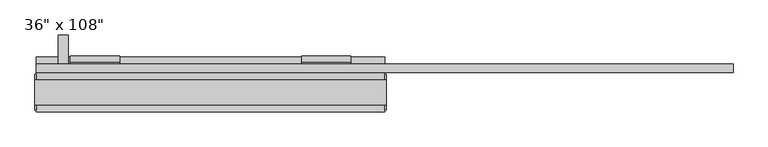
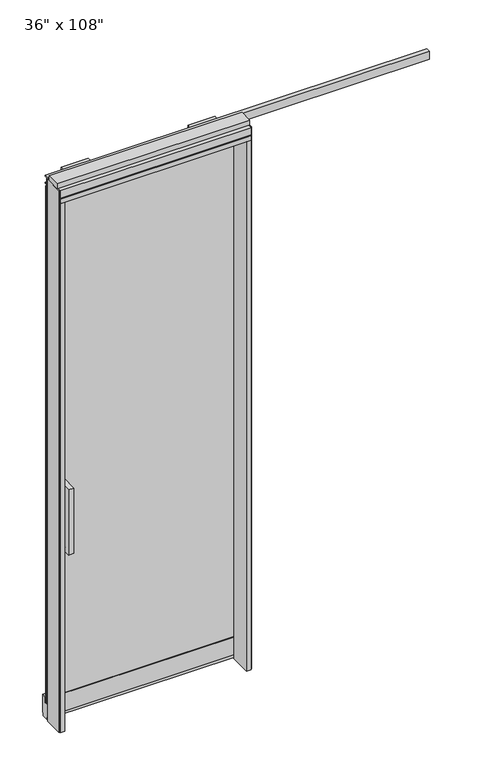
"""IFC4 building model written with IfcOpenShell, lengths in millimetres: furniture geometry."""

from ifc_helpers import new_model, si_unit, frame, origin, origin_with_axes, place, context, project, spatial, polyline, outline, extrude, source, transform, mapped, element, save


def furniture_44841711(model_context):
    return source(origin(), model_context, "Body", "SweptSolid", [
        extrude(outline(polyline([(393.2264771, 74.3677216), (393.2264771, 64.2077216), (-513.2995229, 64.2077216), (-513.2995229, 74.3677216), (393.2264771, 74.3677216)])), frame((0.0, 0.0, 77.851), z_axis=(0.0, 0.0, 1.0), x_axis=(1.0, 0.0, 0.0)), (0.0, 0.0, 1.0), 2592.959),
        extrude(outline(polyline([(64.2077216, 852.297), (-16.0562784, 852.297), (-16.0562784, 1179.703), (64.2077216, 1179.703), (64.2077216, 1154.303), (9.3437216, 1154.303), (9.3437216, 877.697), (64.2077216, 877.697), (64.2077216, 852.297)])), frame((-456.0225229, 0.0, 0.0), z_axis=(1.0, 0.0, 0.0), x_axis=(0.0, 1.0, 0.0)), (0.0, 0.0, 1.0), 25.4),
        extrude(outline(polyline([(74.3677216, 852.297), (74.3677216, 877.697), (129.2317216, 877.697), (129.2317216, 1154.303), (74.3677216, 1154.303), (74.3677216, 1179.703), (154.6317216, 1179.703), (154.6317216, 852.297), (74.3677216, 852.297)])), frame((-456.0225229, 0.0, 0.0), z_axis=(1.0, 0.0, 0.0), x_axis=(0.0, 1.0, 0.0)), (0.0, 0.0, 1.0), 25.4),
        extrude(outline(polyline([(63.9537216, 2628.9), (60.3977216, 2628.9), (60.3977216, 2676.779), (83.0037216, 2676.779), (83.0037216, 2717.8), (98.4977216, 2717.8), (98.4977216, 2628.9), (76.2727216, 2628.9), (76.2727216, 2670.81), (63.9537216, 2670.81), (63.9537216, 2628.9)])), frame((-425.0345229, 0.0, 0.0), z_axis=(1.0, 0.0, 0.0), x_axis=(0.0, 1.0, 0.0)), (0.0, 0.0, 1.0), 128.016),
        extrude(outline(polyline([(63.9537216, 2628.9), (60.3977216, 2628.9), (60.3977216, 2676.779), (83.0037216, 2676.779), (83.0037216, 2717.8), (98.4977216, 2717.8), (98.4977216, 2628.9), (76.2727216, 2628.9), (76.2727216, 2670.81), (63.9537216, 2670.81), (63.9537216, 2628.9)])), frame((176.9454771, 0.0, 0.0), z_axis=(1.0, 0.0, 0.0), x_axis=(0.0, 1.0, 0.0)), (0.0, 0.0, 1.0), 128.016),
        extrude(outline(polyline([(77.9237216, 2681.478), (56.2067216, 2681.478), (56.2067216, 2721.102), (77.9237216, 2721.102), (77.9237216, 2715.768), (65.2237216, 2715.768), (65.2237216, 2686.812), (77.9237216, 2686.812), (77.9237216, 2681.478)])), frame((-513.2995229, 0.0, 0.0), z_axis=(1.0, 0.0, 0.0), x_axis=(0.0, 1.0, 0.0)), (0.0, 0.0, 1.0), 1813.052),
        extrude(outline(polyline([(74.8757216, 77.851), (74.8757216, 105.664), (97.1007216, 105.664), (97.1007216, 16.764), (93.2907216, 16.764), (93.2907216, 0.0), (64.2077216, 0.0), (64.2077216, 16.764), (60.3977216, 16.764), (60.3977216, 105.664), (63.9537216, 105.664), (63.9537216, 77.851), (74.8757216, 77.851)])), frame((-513.2995229, 0.0, 0.0), z_axis=(1.0, 0.0, 0.0), x_axis=(0.0, 1.0, 0.0)), (0.0, 0.0, 1.0), 906.526),
        extrude(outline(polyline([(-513.2995229, 55.3177216), (393.2264771, 55.3177216), (393.2264771, -46.2822784), (-513.2995229, -46.2822784), (-513.2995229, 55.3177216)])), frame((0.0, 0.0, 2654.3), z_axis=(0.0, 0.0, 1.0), x_axis=(1.0, 0.0, 0.0)), (0.0, 0.0, 1.0), 22.225),
        extrude(outline(polyline([(397.1634771, 50.3647216), (397.1634771, -41.3292784), (393.2264771, -41.3292784), (393.2264771, 50.3647216), (397.1634771, 50.3647216)])), origin_with_axes(), (0.0, 0.0, 1.0), 2717.8),
        extrude(outline(polyline([(-517.2365229, 50.3647216), (-513.2995229, 50.3647216), (-513.2995229, -41.3292784), (-517.2365229, -41.3292784), (-517.2365229, 50.3647216)])), origin_with_axes(), (0.0, 0.0, 1.0), 2717.8),
        extrude(outline(polyline([(371.0014771, 55.3177216), (393.2264771, 55.3177216), (393.2264771, -46.2822784), (371.0014771, -46.2822784), (371.0014771, 55.3177216)])), origin_with_axes(), (0.0, 0.0, 1.0), 2654.3),
        extrude(outline(polyline([(-491.0745229, 55.3177216), (-491.0745229, -46.2822784), (-513.2995229, -46.2822784), (-513.2995229, 55.3177216), (-491.0745229, 55.3177216)])), origin_with_axes(), (0.0, 0.0, 1.0), 2654.3),
        extrude(outline(polyline([(55.3177216, 2681.478), (50.3647216, 2681.478), (50.3647216, 2676.525), (-41.3292784, 2676.525), (-41.3292784, 2681.478), (-46.2822784, 2681.478), (-46.2822784, 2717.8), (55.3177216, 2717.8), (55.3177216, 2681.478)])), frame((-513.2995229, 0.0, 0.0), z_axis=(1.0, 0.0, 0.0), x_axis=(0.0, 1.0, 0.0)), (0.0, 0.0, 1.0), 906.526),
        extrude(outline(polyline([(-517.2365229, 37.0297216), (397.1634771, 37.0297216), (397.1634771, -27.9942784), (-517.2365229, -27.9942784), (-517.2365229, 37.0297216)])), frame((0.0, 0.0, 2717.8), z_axis=(0.0, 0.0, 1.0), x_axis=(1.0, 0.0, 0.0)), (0.0, 0.0, 1.0), 25.4),
    ])


if __name__ == "__main__":
    model = new_model("IFC4")
    model_context = context("Model", 3, world=origin())
    ifc_project = project(units=[si_unit("LENGTHUNIT", "METRE", prefix="MILLI")], contexts=[model_context])
    site = spatial("IfcSite", under=ifc_project)
    building = spatial("IfcBuilding", under=site)
    placement = place(None, origin())
    furniture_shape = furniture_44841711(model_context)
    element("IfcFurniture", 1, ObjectType="36\" x 108\"", at=placement, inside=building, context=model_context, shape_type="MappedRepresentation", body=[
        mapped(furniture_shape, transform((0.0, 0.0, 0.0), x_axis=(1.0, 0.0, 0.0), y_axis=(0.0, 1.0, 0.0), z_axis=(0.0, 0.0, 1.0))),
    ])
    save(model, "model.ifc")
